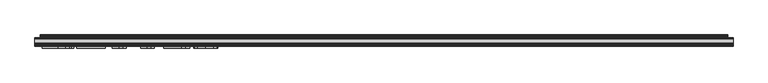
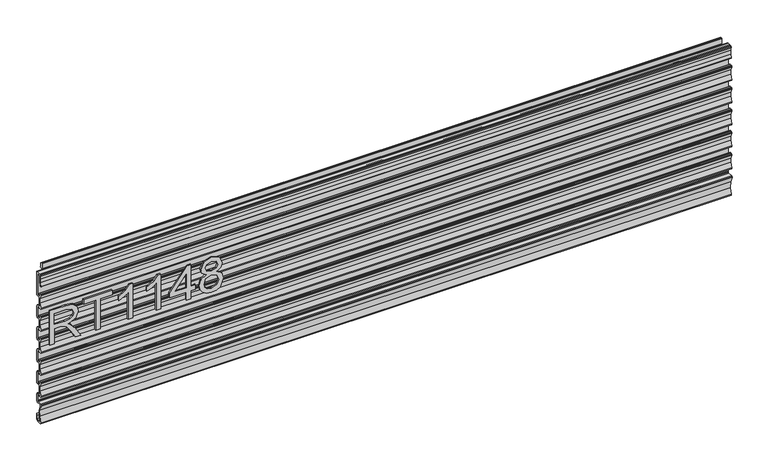
"""IFC4 building model written with IfcOpenShell, lengths in millimetres: furniture geometry."""

from ifc_helpers import new_model, si_unit, frame, origin, place, context, project, spatial, polyline, outline, extrude, source, transform, mapped, element, save


def furniture_a17c74eb(model_context):
    return source(origin(), model_context, "Body", "SweptSolid", [
        extrude(outline(polyline([(-1.5203251, 1100.0315975), (-1.9666925, 1098.9539562), (-3.0443248, 1098.507599), (-7.8320935, 1098.507599), (-9.2304101, 1097.8643606), (-9.6518461, 1096.3835826), (-9.6313991, 1090.0915793), (-11.5619729, 1084.1269724), (-11.1413331, 1081.7230857), (-9.089371, 1081.4978914), (-5.9789805, 1082.4986016), (-3.7842619, 1081.4611831), (-2.8942953, 1079.202818), (-2.8919245, 1059.3916181), (-3.3382919, 1058.3139768), (-4.4159247, 1057.8676014), (-7.8320935, 1057.8675832), (-9.2304101, 1057.2243631), (-9.6518461, 1055.743585), (-9.6313991, 1049.4515817), (-11.5724814, 1043.4664274), (-11.1413331, 1041.0830881), (-9.1141802, 1040.8498937), (-5.9789805, 1041.8585858), (-3.7842619, 1040.8211855), (-2.8919245, 1038.5636016), (-2.8919245, 1018.7516205), (-3.3382919, 1017.6739792), (-4.4159247, 1017.227622), (-7.8320935, 1017.2276038), (-9.2304101, 1016.5843655), (-9.6518461, 1015.1035965), (-9.6313991, 1008.8115841), (-11.5724814, 1002.8264389), (-11.1413331, 1000.4430905), (-9.0893321, 1000.2178997), (-5.9789805, 1001.2185974), (-3.7842619, 1000.181197), (-2.8919245, 997.9236041), (-2.8943033, 978.1108236), (-3.3406707, 977.0331823), (-4.4183029, 976.586816), (-7.8344717, 976.5868069), (-9.2327884, 975.9435685), (-9.6542246, 974.4627995), (-9.6337777, 968.1707872), (-11.5748598, 962.1856419), (-11.1437114, 959.8022936), (-9.0917104, 959.5771027), (-5.9813588, 960.5778004), (-3.7866407, 959.5404001), (-2.8943033, 957.2828071), (-1.5227039, 954.9968184), (-1.5227039, 937.4708215), (-1.9690713, 936.3931892), (-3.0467036, 935.9468184), (-7.8344717, 935.9468184), (-9.2327884, 935.3035846), (-9.654238, 933.823238), (-9.6337777, 927.5308032), (-11.5748598, 921.5456535), (-11.1437114, 919.1623096), (-9.0917751, 918.937122), (-5.9813588, 919.9378165), (-3.7866407, 918.9004161), (-2.8943033, 916.6428323), (-2.8943033, 903.6888219), (-3.3406707, 902.6111896), (-4.4183035, 902.1648188), (-11.1068079, 902.1648188), (-12.8225821, 901.2214466), (-12.9452454, 899.2672577), (-10.0279766, 890.2327483), (-9.4872673, 880.7543286), (-11.3581824, 871.4466709), (-11.0842169, 869.6112207), (-9.4332105, 868.7638047), (-6.2445587, 868.7638047), (-4.2125589, 870.7958175), (-4.2125589, 877.6792097), (-2.4345589, 880.1022449), (-2.4345589, 869.5258284), (-4.9745593, 866.98582), (-12.6521859, 866.98582), (-13.9904925, 867.7087694), (-14.1195375, 869.2243762), (-11.3316765, 880.0257836), (-12.0331893, 891.1590884), (-16.1548177, 901.5251277), (-16.1700216, 903.1339775), (-14.779196, 903.9428217), (-6.7043047, 903.9428217), (-5.2674625, 904.5379797), (-4.6723027, 905.9748016), (-4.6723027, 916.6428323), (-5.5450312, 918.0206551), (-7.1636727, 917.8204402), (-8.1594576, 917.177865), (-10.4526026, 916.6428323), (-13.9219, 916.6428323), (-15.3647113, 917.5509618), (-15.1698992, 919.2445857), (-11.6317274, 926.5529287), (-11.631722, 934.6726865), (-15.1698838, 941.981034), (-15.51787, 943.0988982), (-15.0115257, 944.1545205), (-13.9218993, 944.5828192), (-11.1493029, 944.5828192), (-10.4473985, 944.23939), (-10.287795, 943.4744476), (-10.7938049, 942.8789988), (-11.769159, 940.050892), (-11.2028935, 938.9112041), (-9.3552086, 937.7248167), (-6.7043047, 937.7248349), (-5.2674625, 938.3199929), (-4.6723027, 939.7568375), (-4.6723027, 957.2828071), (-5.5450312, 958.6606391), (-7.1636727, 958.4604242), (-8.1594576, 957.817849), (-10.4526026, 957.2828162), (-13.9219, 957.2828162), (-15.3647113, 958.1909457), (-15.169882, 959.8845924), (-11.6317274, 967.1929126), (-11.631722, 975.3126659), (-15.1698838, 982.6210134), (-15.51787, 983.7388867), (-15.0115257, 984.794509), (-13.9218993, 985.2228077), (-11.1493029, 985.2228077), (-10.4473985, 984.8793785), (-10.287795, 984.1144361), (-10.7938049, 983.5189782), (-11.769159, 980.6908805), (-11.2028935, 979.5511881), (-9.3552086, 978.3648052), (-6.7043047, 978.3648143), (-5.2674625, 978.9599814), (-4.6723027, 980.3968214), (-4.6699245, 997.9236041), (-5.5426529, 999.301436), (-7.1612939, 999.1012211), (-8.1570793, 998.4586459), (-10.4502244, 997.9236132), (-13.9195216, 997.9236132), (-15.362333, 998.8317427), (-15.1675208, 1000.5253711), (-11.629349, 1007.8337096), (-11.6293436, 1015.9534719), (-15.1675055, 1023.2618104), (-15.5154916, 1024.3796745), (-15.0091473, 1025.4352969), (-13.919521, 1025.8635956), (-11.1469245, 1025.8635956), (-10.4450199, 1025.5201754), (-10.2854168, 1024.755233), (-10.7914264, 1024.1597752), (-11.7667806, 1021.3316774), (-11.2005151, 1020.1919941), (-9.3528301, 1019.0056021), (-6.7019265, 1019.0056203), (-5.2650842, 1019.6007693), (-4.6699245, 1021.0376184), (-4.6699245, 1038.5636016), (-5.5426529, 1039.9414245), (-7.1612939, 1039.7412187), (-8.1570793, 1039.0986344), (-10.4502238, 1038.5636016), (-13.9195216, 1038.5636016), (-15.362333, 1039.4717403), (-15.1675036, 1041.1653869), (-11.629349, 1048.4736981), (-11.6293436, 1056.5934604), (-15.1675055, 1063.9018079), (-15.5154916, 1065.0196721), (-15.0091473, 1066.0752945), (-13.919521, 1066.5035932), (-11.1469245, 1066.5035932), (-10.4450199, 1066.160173), (-10.2854168, 1065.3952306), (-10.7914264, 1064.7997728), (-11.7667806, 1061.971675), (-11.2005151, 1060.8319735), (-9.3528301, 1059.6455997), (-6.7019265, 1059.6455997), (-5.2650842, 1060.2407669), (-4.6722953, 1061.6768166), (-4.6699245, 1079.2035992), (-5.5426529, 1080.5814221), (-7.1612939, 1080.3812163), (-8.1570793, 1079.7386501), (-10.4502238, 1079.2036174), (-13.9195216, 1079.2036174), (-15.362333, 1080.1117378), (-15.1675208, 1081.8053663), (-11.629349, 1089.1136956), (-11.6293436, 1097.233458), (-15.1675055, 1104.5418055), (-15.5154916, 1105.6596697), (-15.0091473, 1106.715292), (-13.919521, 1107.1435907), (-11.1469245, 1107.1435907), (-10.4450199, 1106.8001706), (-10.2854168, 1106.0352282), (-10.7914264, 1105.4397703), (-11.7667806, 1102.6116726), (-11.2005151, 1101.4719893), (-9.3528301, 1100.2855973), (-6.7019265, 1100.2856155), (-5.2650842, 1100.8807644), (-4.6699245, 1102.3176135), (-4.6722953, 1138.3848161), (-6.7042957, 1140.4168141), (-8.7022527, 1140.4168141), (-10.7230161, 1138.1714207), (-10.7357771, 1129.3350414), (-12.6188845, 1120.7016113), (-13.7438958, 1120.1392183), (-14.3053705, 1121.2646947), (-12.7931065, 1127.3965333), (-12.2716973, 1133.6934782), (-12.7552606, 1139.9934388), (-12.3214977, 1141.5276475), (-10.873458, 1142.1948125), (-4.4182956, 1142.1948125), (-3.340665, 1141.7484553), (-2.8942953, 1140.6708139), (-2.8942953, 1123.9068117), (-1.5226959, 1122.5352203), (-1.5203251, 1100.0315975)])), frame((-298.2019531, 0.0, 0.0), z_axis=(1.0, 0.0, 0.0), x_axis=(0.0, 1.0, 0.0)), (0.0, 0.0, 1.0), 1205.992),
        extrude(outline(polyline([(1011.1636431, -285.1229953), (1011.1636431, -277.1492757), (1039.0716617, -277.1492757), (1039.0716617, -267.524747), (1038.7913356, -262.8993666), (1037.2729027, -259.1071777), (1033.138093, -254.8944997), (1024.3856898, -248.8986363), (1011.1636431, -240.5978696), (1011.1636431, -231.3315353), (1028.450418, -241.9683526), (1036.6577427, -248.4314262), (1040.0683767, -252.9633645), (1046.0019454, -239.6089415), (1057.4953147, -235.2872477), (1067.1432039, -237.8958376), (1073.2325093, -244.8728423), (1074.9534, -257.6354658), (1074.9534, -285.1229953), (1011.1636431, -285.1229953)]), holes=[polyline([(1047.0453813, -277.1492757), (1066.9796804, -277.1492757), (1066.9796804, -257.292845), (1064.2231406, -246.6326671), (1057.1994149, -243.2609673), (1051.7875642, -245.028579), (1048.1744725, -250.1990378), (1047.0453813, -259.3018486), (1047.0453813, -277.1492757)])]), frame((0.0, -19.3508892, 0.0), z_axis=(0.0, 1.0, 0.0), x_axis=(0.0, 0.0, 1.0)), (0.0, 0.0, 1.0), 2.38125),
        extrude(outline(polyline([(1011.1636431, -205.3857992), (1011.1636431, -197.4120795), (1066.9796804, -197.4120795), (1066.9796804, -176.4810655), (1074.9534, -176.4810655), (1074.9534, -226.3168132), (1066.9796804, -226.3168132), (1066.9796804, -205.3857992), (1011.1636431, -205.3857992)])), frame((0.0, -19.3508892, 0.0), z_axis=(0.0, 1.0, 0.0), x_axis=(0.0, 0.0, 1.0)), (0.0, 0.0, 1.0), 2.38125),
        extrude(outline(polyline([(1011.1636431, -140.5993273), (1074.9534, -140.5993273), (1074.9534, -145.7386387), (1066.4657492, -152.8324459), (1059.0059608, -164.5204861), (1051.4683039, -164.5204861), (1055.4940979, -156.1262774), (1060.8748013, -148.5730469), (1011.1636431, -148.5730469), (1011.1636431, -140.5993273)])), frame((0.0, -19.3508892, 0.0), z_axis=(0.0, 1.0, 0.0), x_axis=(0.0, 0.0, 1.0)), (0.0, 0.0, 1.0), 2.38125),
        extrude(outline(polyline([(1011.1636431, -91.7602946), (1074.9534, -91.7602946), (1074.9534, -96.8996061), (1066.4657492, -103.9934133), (1059.0059608, -115.6814534), (1051.4683039, -115.6814534), (1055.4940979, -107.2872447), (1060.8748013, -99.7340142), (1011.1636431, -99.7340142), (1011.1636431, -91.7602946)])), frame((0.0, -19.3508892, 0.0), z_axis=(0.0, 1.0, 0.0), x_axis=(0.0, 0.0, 1.0)), (0.0, 0.0, 1.0), 2.38125),
        extrude(outline(polyline([(1011.1636431, -46.9081217), (1011.1636431, -38.9344021), (1026.1143673, -38.9344021), (1026.1143673, -30.9606825), (1034.088087, -30.9606825), (1034.088087, -38.9344021), (1073.956685, -38.9344021), (1073.956685, -44.9146918), (1034.088087, -75.8128554), (1026.1143673, -75.8128554), (1026.1143673, -46.9081217), (1011.1636431, -46.9081217)]), holes=[polyline([(1034.088087, -46.9081217), (1034.088087, -66.0014425), (1058.7256347, -46.9081217), (1034.088087, -46.9081217)])]), frame((0.0, -19.3508892, 0.0), z_axis=(0.0, 1.0, 0.0), x_axis=(0.0, 0.0, 1.0)), (0.0, 0.0, 1.0), 2.38125),
        extrude(outline(polyline([(1046.2978451, -12.3657192), (1040.5044395, -20.9623856), (1029.9454904, -23.9836778), (1022.1878555, -22.5431133), (1015.8279576, -18.2214195), (1011.5821855, -11.5481014), (1010.1669281, -3.0526638), (1011.5763453, 5.4427738), (1015.8045971, 12.1160918), (1029.727459, 17.8783502), (1040.0450162, 14.9738605), (1046.2978451, 6.4939966), (1051.226912, 13.5566564), (1058.7412084, 15.8849203), (1070.2345776, 10.6521668), (1074.9534, -3.1616795), (1070.3435933, -16.8509365), (1058.9592398, -21.9902479), (1051.2502725, -19.6308368), (1046.2978451, -12.3657192)]), holes=[polyline([(1058.7256347, -14.0165283), (1064.5501877, -11.143186), (1066.9796804, -3.0526638), (1064.4956798, 5.0144978), (1058.3674402, 7.9112006), (1052.4494452, 5.1079398), (1050.0355262, -2.9592218), (1052.4650189, -11.189907), (1058.7256347, -14.0165283)]), polyline([(1030.2258165, -16.0099582), (1038.6823199, -12.6382584), (1042.0618066, -3.2551216), (1038.6355989, 6.4005545), (1029.9766378, 9.9046305), (1021.4812002, 6.5095702), (1018.1406477, -2.9903692), (1019.7291622, -9.9673738), (1024.2221663, -14.6784093), (1030.2258165, -16.0099582)])]), frame((0.0, -19.3508892, 0.0), z_axis=(0.0, 1.0, 0.0), x_axis=(0.0, 0.0, 1.0)), (0.0, 0.0, 1.0), 2.38125),
        extrude(outline(polyline([(-2.4778341, 1142.2634102), (-1.9926973, 1143.1036919), (-1.9926973, 1152.1694007), (-1.230698, 1152.9314), (0.2933028, 1152.9314), (1.6339822, 1152.5140926), (2.500959, 1151.4095816), (2.5879063, 1150.0081591), (1.8645471, 1147.0497459), (2.0301563, 1145.8467307), (3.3001562, 1143.6470103), (2.4041842, 1143.1297244), (-1.230698, 1143.1297244), (-1.1114397, 1142.2634102), (-1.9926973, 1142.2634102), (-1.9926973, 1121.6876253), (-2.4778341, 1120.6472459), (-2.4778341, 1142.2634102)])), frame((-288.6709995, 0.0, 0.0), z_axis=(1.0, 0.0, 0.0), x_axis=(0.0, 1.0, 0.0)), (0.0, 0.0, 1.0), 1186.9420058),
        extrude(outline(polyline([(-2.4778341, 1142.2771743), (-2.4778341, 1138.9472904), (-11.2152663, 1138.9472904), (-12.3431975, 1139.1021683), (-13.7180128, 1139.8959243), (-13.7180128, 1141.4834183), (-12.3431975, 1142.2771743), (-2.4778341, 1142.2771743)])), frame((-298.2019531, 0.0, 0.0), z_axis=(1.0, 0.0, 0.0), x_axis=(0.0, 1.0, 0.0)), (0.0, 0.0, 1.0), 1206.0039063),
    ])


if __name__ == "__main__":
    model = new_model("IFC4")
    model_context = context("Model", 3, world=origin())
    ifc_project = project(units=[si_unit("LENGTHUNIT", "METRE", prefix="MILLI")], contexts=[model_context])
    site = spatial("IfcSite", under=ifc_project)
    building = spatial("IfcBuilding", under=site)
    placement = place(None, origin())
    furniture_shape = furniture_a17c74eb(model_context)
    element("IfcFurniture", 1, at=placement, inside=building, context=model_context, shape_type="MappedRepresentation", body=[
        mapped(furniture_shape, transform((0.0, 0.0, 0.0), x_axis=(1.0, 0.0, 0.0), y_axis=(0.0, 1.0, 0.0), z_axis=(0.0, 0.0, 1.0))),
    ])
    save(model, "model.ifc")
